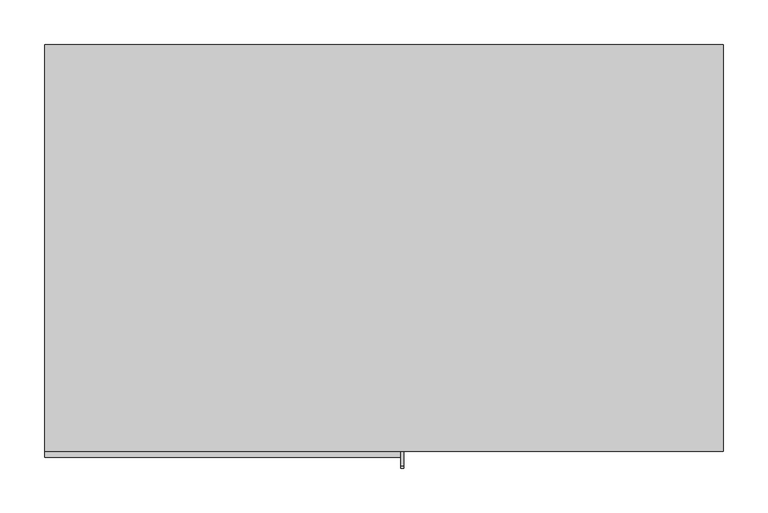
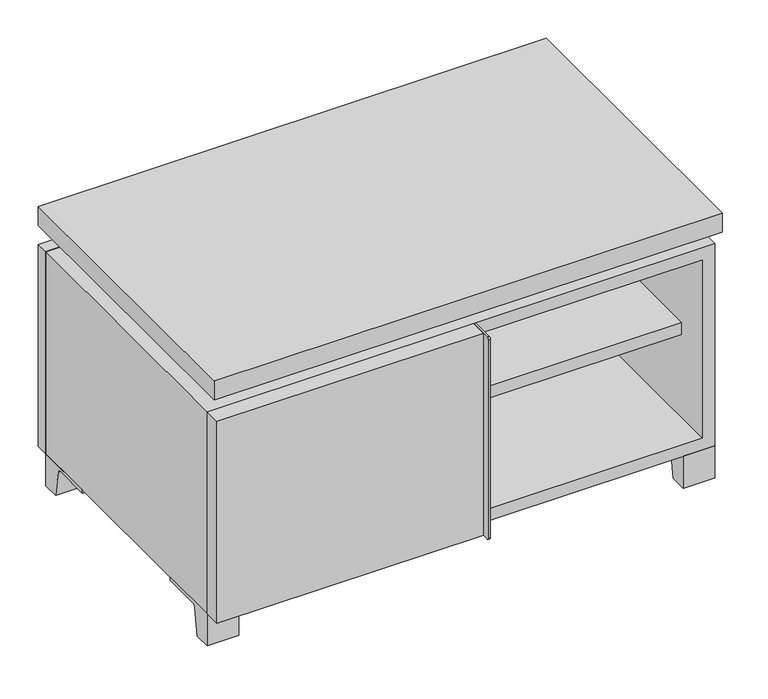
"""IFC4 building model written with IfcOpenShell, lengths in millimetres: furniture geometry."""

from ifc_helpers import new_model, si_unit, point, frame, frame_2d, origin, place, context, project, spatial, polyline, circle_curve, trimmed, segment, composite_curve, outline, extrude, faceted_brep, source, transform, mapped, element, save


def furniture_9233b361(model_context):
    return source(origin(), model_context, "Body", "SolidModel", [
        extrude(outline(polyline([(9.5319453, 241.3), (361.9569453, 241.3), (361.9569453, -92.075), (9.5319453, -92.075), (9.5319453, 241.3)])), frame((0.0, 0.0, 201.6125), z_axis=(0.0, 0.0, 1.0), x_axis=(1.0, 0.0, 0.0)), (0.0, 0.0, 1.0), 19.05),
        extrude(outline(polyline([(-9.5041641, 241.3), (-9.5041641, -92.075), (-361.9291641, -92.075), (-361.9291641, 241.3), (-9.5041641, 241.3)])), frame((0.0, 0.0, 201.6125), z_axis=(0.0, 0.0, 1.0), x_axis=(1.0, 0.0, 0.0)), (0.0, 0.0, 1.0), 19.05),
        extrude(outline(polyline([(381.0138906, 292.1), (381.0138906, -165.1), (-380.9861094, -165.1), (-380.9861094, 292.1), (381.0138906, 292.1)])), frame((0.0, 0.0, 401.6375), z_axis=(0.0, 0.0, 1.0), x_axis=(1.0, 0.0, 0.0)), (0.0, 0.0, 1.0), 30.1625),
        extrude(outline(composite_curve([segment(polyline([(-146.05, 371.475), (-146.05, 50.8), (-180.975, 50.8)]), True, "CONTINUOUS"), segment(trimmed(circle_curve(frame_2d((-180.975, 53.975)), 3.175), [point((-180.975, 50.8))], [point((-184.15, 53.975))], False, "CARTESIAN"), True, "CONTINUOUS"), segment(polyline([(-184.15, 53.975), (-184.15, 368.3)]), True, "CONTINUOUS"), segment(trimmed(circle_curve(frame_2d((-180.975, 368.3)), 3.175), [point((-184.15, 368.3))], [point((-180.975, 371.475))], False, "CARTESIAN"), True, "CONTINUOUS"), segment(polyline([(-180.975, 371.475), (-146.05, 371.475)]), True, "CONTINUOUS")], self_intersect=False)), frame((19.0638906, 0.0, 0.0), z_axis=(1.0, 0.0, 0.0), x_axis=(0.0, 1.0, 0.0)), (0.0, 0.0, 1.0), 3.175),
        extrude(outline(polyline([(-380.9861094, -146.05), (19.0638906, -146.05), (19.0638906, -171.45), (-380.9861094, -171.45), (-380.9861094, -146.05)])), frame((0.0, 0.0, 50.8), z_axis=(0.0, 0.0, 1.0), x_axis=(1.0, 0.0, 0.0)), (0.0, 0.0, 1.0), 320.675),
        extrude(outline(composite_curve([segment(polyline([(-120.6500136, 0.0), (-146.05, 0.0), (-146.05, 50.8), (-50.8, 50.8), (-50.8, 46.0213321), (-107.6005345, 46.0213321)]), True, "CONTINUOUS"), segment(trimmed(circle_curve(frame_2d((-107.6005345, 39.6713321)), 6.35), [point((-107.6005345, 46.0213321))], [point((-113.8641359, 40.7152656))], True, "CARTESIAN"), True, "CONTINUOUS"), segment(polyline([(-113.8641359, 40.7152656), (-120.6500136, 0.0)]), True, "CONTINUOUS")], self_intersect=False)), frame((333.3888906, 0.0, 0.0), z_axis=(1.0, 0.0, 0.0), x_axis=(0.0, 1.0, 0.0)), (0.0, 0.0, 1.0), 47.625),
        extrude(outline(composite_curve([segment(polyline([(247.6500136, 0.0), (240.8641359, 40.7152656)]), True, "CONTINUOUS"), segment(trimmed(circle_curve(frame_2d((234.6005345, 39.6713321)), 6.35), [point((240.8641359, 40.7152656))], [point((234.6005345, 46.0213321))], True, "CARTESIAN"), True, "CONTINUOUS"), segment(polyline([(234.6005345, 46.0213321), (177.8, 46.0213321), (177.8, 50.8), (273.05, 50.8), (273.05, 0.0), (247.6500136, 0.0)]), True, "CONTINUOUS")], self_intersect=False)), frame((333.3888906, 0.0, 0.0), z_axis=(1.0, 0.0, 0.0), x_axis=(0.0, 1.0, 0.0)), (0.0, 0.0, 1.0), 47.625),
        extrude(outline(composite_curve([segment(polyline([(-120.6500136, 0.0), (-146.05, 0.0), (-146.05, 50.8), (-50.8, 50.8), (-50.8, 46.0213321), (-107.6005345, 46.0213321)]), True, "CONTINUOUS"), segment(trimmed(circle_curve(frame_2d((-107.6005345, 39.6713321)), 6.35), [point((-107.6005345, 46.0213321))], [point((-113.8641359, 40.7152656))], True, "CARTESIAN"), True, "CONTINUOUS"), segment(polyline([(-113.8641359, 40.7152656), (-120.6500136, 0.0)]), True, "CONTINUOUS")], self_intersect=False)), frame((-380.9861094, 0.0, 0.0), z_axis=(1.0, 0.0, 0.0), x_axis=(0.0, 1.0, 0.0)), (0.0, 0.0, 1.0), 47.625),
        extrude(outline(composite_curve([segment(polyline([(247.6500136, 0.0), (240.8641359, 40.7152656)]), True, "CONTINUOUS"), segment(trimmed(circle_curve(frame_2d((234.6005345, 39.6713321)), 6.35), [point((240.8641359, 40.7152656))], [point((234.6005345, 46.0213321))], True, "CARTESIAN"), True, "CONTINUOUS"), segment(polyline([(234.6005345, 46.0213321), (177.8, 46.0213321), (177.8, 50.8), (273.05, 50.8), (273.05, 0.0), (247.6500136, 0.0)]), True, "CONTINUOUS")], self_intersect=False)), frame((-380.9861094, 0.0, 0.0), z_axis=(1.0, 0.0, 0.0), x_axis=(0.0, 1.0, 0.0)), (0.0, 0.0, 1.0), 47.625),
        faceted_brep([(7.9513906, -120.65, 401.6375), (7.9513906, -120.65, 371.475), (7.9513906, 53.975, 371.475), (7.9513906, 53.975, 401.6375), (7.9513906, 247.65, 371.475), (7.9513906, 247.65, 401.6375), (7.9513906, 73.025, 401.6375), (7.9513906, 73.025, 371.475), (-7.9236094, 247.65, 401.6375), (-7.9236094, 247.65, 371.475), (-7.9236094, 73.025, 371.475), (-7.9236094, 73.025, 401.6375), (-7.9236094, -120.65, 371.475), (-7.9236094, -120.65, 401.6375), (-7.9236094, 53.975, 401.6375), (-7.9236094, 53.975, 371.475), (-339.6833281, 73.025, 401.6375), (-339.7041641, 247.65, 401.6375), (-355.5791641, 247.65, 401.6375), (-355.5791641, -120.65, 401.6375), (-339.7041641, -120.65, 401.6375), (-339.7041641, 53.975, 401.6375), (339.7111094, 53.975, 401.6375), (339.7111094, -120.65, 401.6375), (355.5861094, -120.65, 401.6375), (355.5861094, 247.65, 401.6375), (339.7111094, 247.65, 401.6375), (339.7111094, 73.025, 401.6375), (-339.6833281, 53.975, 371.475), (-339.7041641, -120.65, 371.475), (-355.5791641, -120.65, 371.475), (-355.5791641, 247.65, 371.475), (-339.7041641, 247.65, 371.475), (-339.7041641, 73.025, 371.475), (339.7111094, 73.025, 371.475), (339.7111094, 247.65, 371.475), (355.5861094, 247.65, 371.475), (355.5861094, -120.65, 371.475), (339.7111094, -120.65, 371.475), (339.7111094, 53.975, 371.475)], [[[0, 1, 2, 3]], [[4, 5, 6, 7]], [[8, 9, 10, 11]], [[12, 13, 14, 15]], [[5, 8, 11, 16, 17, 18, 19, 20, 21, 14, 13, 0, 3, 22, 23, 24, 25, 26, 27, 6]], [[1, 12, 15, 28, 29, 30, 31, 32, 33, 10, 9, 4, 7, 34, 35, 36, 37, 38, 39, 2]], [[5, 4, 9, 8]], [[1, 0, 13, 12]], [[6, 27, 34, 7]], [[22, 3, 2, 39]], [[20, 29, 28, 21]], [[32, 17, 16, 33]], [[18, 31, 30, 19]], [[29, 20, 19, 30]], [[17, 32, 31, 18]], [[26, 35, 34, 27]], [[38, 23, 22, 39]], [[25, 24, 37, 36]], [[23, 38, 37, 24]], [[35, 26, 25, 36]], [[16, 11, 10, 33]], [[14, 21, 28, 15]]]),
        extrude(outline(polyline([(9.5388906, 241.3), (9.5388906, -95.25), (-9.5111094, -95.25), (-9.5111094, 241.3), (9.5388906, 241.3)])), frame((0.0, 0.0, 69.85), z_axis=(0.0, 0.0, 1.0), x_axis=(1.0, 0.0, 0.0)), (0.0, 0.0, 1.0), 282.575),
        extrude(outline(polyline([(15.8888906, -88.9), (15.8888906, -146.05), (-9.5111094, -146.05), (-9.5111094, -120.65), (3.1888906, -120.65), (3.1888906, -88.9), (15.8888906, -88.9)])), frame((0.0, 0.0, 69.85), z_axis=(0.0, 0.0, 1.0), x_axis=(1.0, 0.0, 0.0)), (0.0, 0.0, 1.0), 282.575),
        extrude(outline(polyline([(381.0138906, 273.05), (-380.9861094, 273.05), (-380.9861094, 292.1), (381.0138906, 292.1), (381.0138906, 273.05)])), frame((0.0, 0.0, 50.8), z_axis=(0.0, 0.0, 1.0), x_axis=(1.0, 0.0, 0.0)), (0.0, 0.0, 1.0), 320.675),
        extrude(outline(polyline([(50.8, -380.9861094), (50.8, 381.0), (371.475, 381.0), (371.475, -380.9861094), (50.8, -380.9861094)]), holes=[polyline([(69.85, -361.9361094), (352.425, -361.9361094), (352.425, 361.9361094), (69.85, 361.9361094), (69.85, -361.9361094)])]), frame((0.0, -146.05, 0.0), z_axis=(0.0, 1.0, 0.0), x_axis=(0.0, 0.0, 1.0)), (0.0, 0.0, 1.0), 419.1),
        extrude(outline(polyline([(-361.9291641, 241.3), (-361.9291641, 247.65), (361.9569453, 247.65), (361.9569453, 241.3), (-361.9291641, 241.3)])), frame((0.0, 0.0, 69.85), z_axis=(0.0, 0.0, 1.0), x_axis=(1.0, 0.0, 0.0)), (0.0, 0.0, 1.0), 282.575),
    ])


if __name__ == "__main__":
    model = new_model("IFC4")
    model_context = context("Model", 3, world=origin())
    ifc_project = project(units=[si_unit("LENGTHUNIT", "METRE", prefix="MILLI")], contexts=[model_context])
    site = spatial("IfcSite", under=ifc_project)
    building = spatial("IfcBuilding", under=site)
    placement = place(None, origin())
    furniture_shape = furniture_9233b361(model_context)
    element("IfcFurniture", 1, at=placement, inside=building, context=model_context, shape_type="MappedRepresentation", body=[
        mapped(furniture_shape, transform((0.0, 0.0, 0.0), x_axis=(1.0, 0.0, 0.0), y_axis=(0.0, 1.0, 0.0), z_axis=(0.0, 0.0, 1.0))),
    ])
    save(model, "model.ifc")
